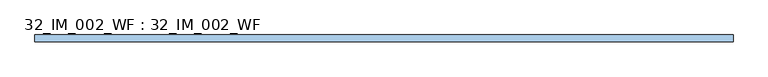
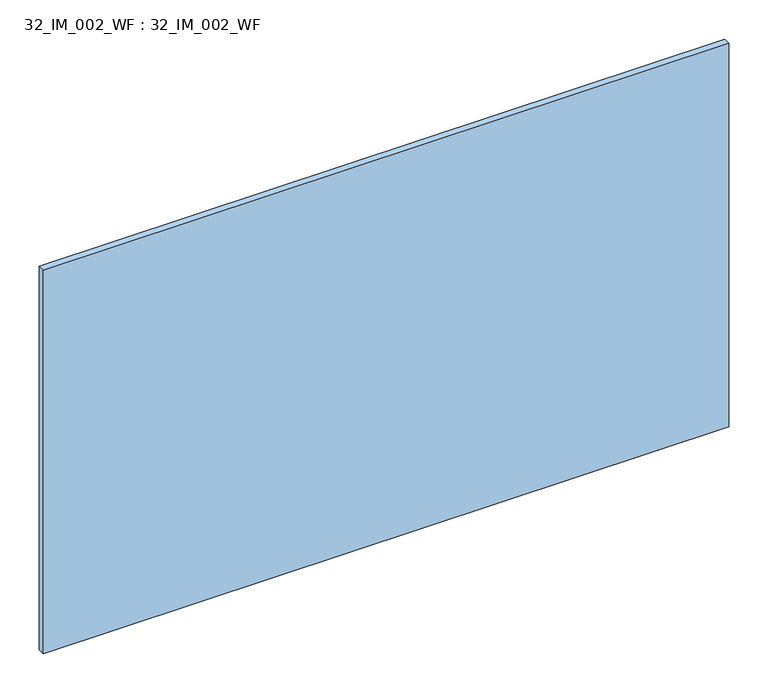
"""IFC4 building model written with IfcOpenShell, lengths in millimetres: window geometry, 32_IM_002_WF : 32_IM_002_WF."""

from ifc_helpers import new_model, si_unit, origin, origin_with_axes, place, context, project, spatial, polyline, outline, extrude, source, transform, mapped, element, save


def window_32_im_002_wf_32_im_002_wf_63bd848e(model_context):
    return source(origin(), model_context, "Body", "SweptSolid", [
        extrude(outline(polyline([(503.0000002, -5.0), (-503.0000002, -5.0), (-503.0000002, 5.0), (503.0000002, 5.0), (503.0000002, -5.0)])), origin_with_axes(), (0.0, 0.0, 1.0), 595.0),
    ])


if __name__ == "__main__":
    model = new_model("IFC4")
    model_context = context("Model", 3, world=origin())
    ifc_project = project(units=[si_unit("LENGTHUNIT", "METRE", prefix="MILLI")], contexts=[model_context])
    site = spatial("IfcSite", under=ifc_project)
    building = spatial("IfcBuilding", under=site)
    placement = place(None, origin())
    window_32_im_002_wf_32_im_002_wf_shape = window_32_im_002_wf_32_im_002_wf_63bd848e(model_context)
    element("IfcWindow", 1, ObjectType="32_IM_002_WF : 32_IM_002_WF", at=placement, inside=building, context=model_context, shape_type="MappedRepresentation", body=[
        mapped(window_32_im_002_wf_32_im_002_wf_shape, transform((0.0, 0.0, 0.0), x_axis=(1.0, 0.0, 0.0), y_axis=(0.0, 1.0, 0.0), z_axis=(0.0, 0.0, 1.0))),
    ])
    save(model, "model.ifc")
